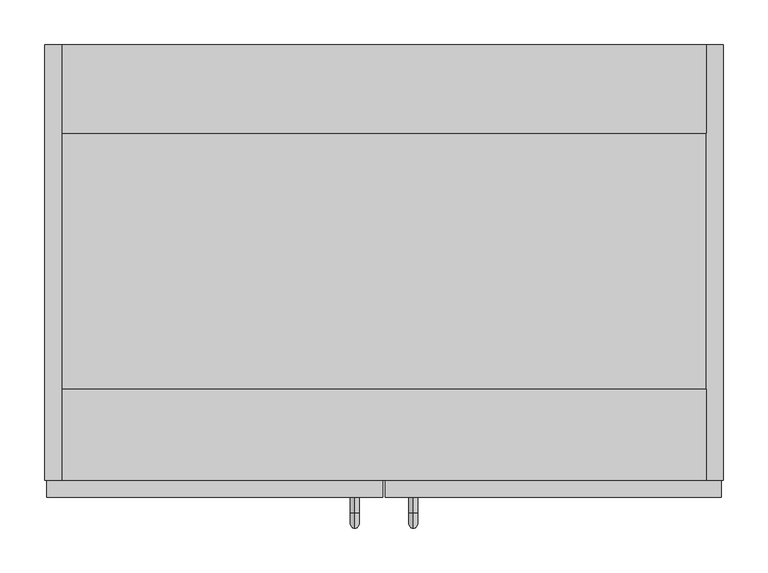
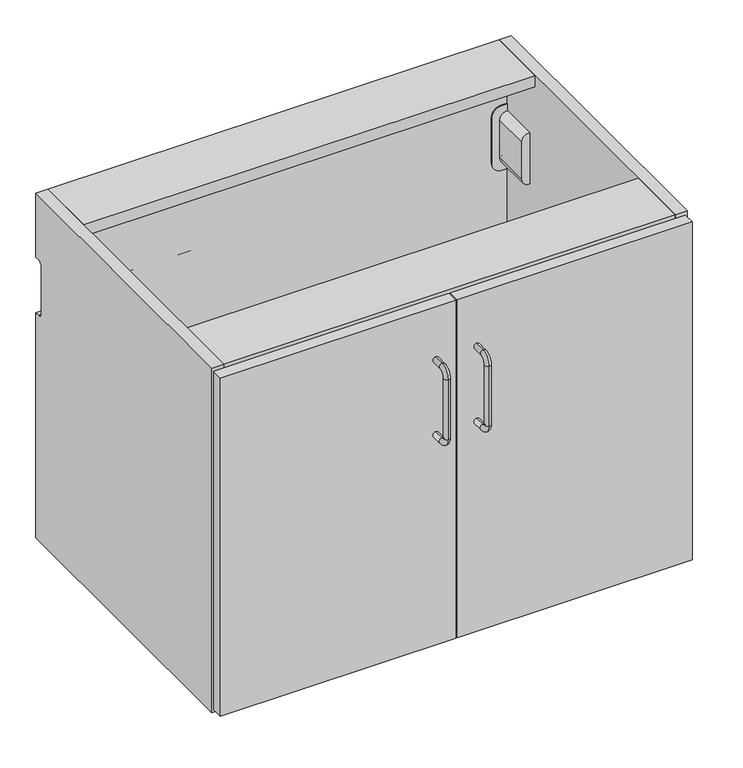
"""IFC4 building model written with IfcOpenShell, lengths in millimetres: furniture geometry."""

from ifc_helpers import new_model, si_unit, point, frame, frame_2d, origin, place, context, project, spatial, polyline, circle_curve, ellipse_curve, trimmed, segment, composite_curve, outline, extrude, source, transform, mapped, element, save
from ifc_brep_helpers import plane_surface, cylinder_surface, revolved_surface, advanced_brep


def furniture_651a36ab(model_context):
    return source(origin(), model_context, "Body", "SolidModel", [
        extrude(outline(composite_curve([segment(polyline([(-9.5501446, 563.8718269), (-3.0000493, 563.8718269), (-3.0000493, 562.3670738), (-0.7048181, 562.3670738)]), True, "CONTINUOUS"), segment(trimmed(circle_curve(frame_2d((-0.7048181, 561.6622974)), 0.7047764), [point((-0.7048181, 562.3670738))], [point((-4.17e-05, 561.6622974))], False, "CARTESIAN"), True, "CONTINUOUS"), segment(polyline([(-4.17e-05, 561.6622974), (-3.98e-05, 519.6721023), (-2.000049, 519.6721023)]), True, "CONTINUOUS"), segment(trimmed(circle_curve(frame_2d((-1.7912711, 518.4633297)), 1.2266701), [point((-2.000049, 519.6721023))], [point((-3.0000508, 518.6720665))], True, "CARTESIAN"), True, "CONTINUOUS"), segment(trimmed(circle_curve(frame_2d((1.2161345, 517.9439992)), 4.2785863), [point((-3.0000508, 518.6720665))], [point((-0.9918619, 514.2791591))], True, "CARTESIAN"), True, "CONTINUOUS"), segment(trimmed(circle_curve(frame_2d((-2.0494915, 512.5237018)), 2.0494415), [point((-0.9918619, 514.2791591))], [point((-5e-05, 512.5237018))], False, "CARTESIAN"), True, "CONTINUOUS"), segment(polyline([(-5e-05, 512.5237018), (-5e-05, 497.622237), (-3.0000486, 497.622237), (-3.0000486, 496.1220863), (-9.3214678, 496.1220863)]), True, "CONTINUOUS"), segment(trimmed(circle_curve(frame_2d((-9.3214678, 497.0506666)), 0.9285803), [point((-9.3214678, 496.1220863))], [point((-10.2500481, 497.0506666))], False, "CARTESIAN"), True, "CONTINUOUS"), segment(polyline([(-10.2500481, 497.0506666), (-10.2500481, 500.472063), (-8.2500502, 502.4720863), (-4.750053, 502.4720863)]), True, "CONTINUOUS"), segment(trimmed(circle_curve(frame_2d((-4.750053, 503.2220912)), 0.7500049), [point((-4.750053, 502.4720863))], [point((-4.0000481, 503.2220914))], True, "CARTESIAN"), True, "CONTINUOUS"), segment(polyline([(-4.0000481, 503.2220914), (-4.0000488, 505.2223543)]), True, "CONTINUOUS"), segment(trimmed(circle_curve(frame_2d((-4.7497612, 505.2223541)), 0.7497123), [point((-4.0000488, 505.2223543))], [point((-4.7497612, 505.9720665))], True, "CARTESIAN"), True, "CONTINUOUS"), segment(polyline([(-4.7497612, 505.9720665), (-8.0000496, 505.9720665), (-8.0000496, 507.9719929), (-4.7500515, 507.9719929)]), True, "CONTINUOUS"), segment(trimmed(circle_curve(frame_2d((-6.3395379, 510.2068028)), 2.7424154), [point((-4.7500515, 507.9719929))], [point((-4.0000513, 511.6377623))], True, "CARTESIAN"), True, "CONTINUOUS"), segment(trimmed(circle_curve(frame_2d((-20.3670715, 501.6267869)), 19.1859058), [point((-4.0000513, 511.6377623))], [point((-6.6449221, 515.0357986))], True, "CARTESIAN"), True, "CONTINUOUS"), segment(trimmed(circle_curve(frame_2d((7.5122438, 528.8698996)), 19.7941328), [point((-6.6449221, 515.0357986))], [point((-7.864877, 516.4058773))], False, "CARTESIAN"), True, "CONTINUOUS"), segment(polyline([(-7.864877, 516.4058773), (-11.0905827, 520.3854968)]), True, "CONTINUOUS"), segment(trimmed(circle_curve(frame_2d((-8.7599469, 522.2746084)), 3.000101), [point((-11.0905827, 520.3854968))], [point((-11.7600479, 522.2746084))], False, "CARTESIAN"), True, "CONTINUOUS"), segment(polyline([(-11.7600479, 522.2746084), (-11.7600479, 528.9187453)]), True, "CONTINUOUS"), segment(trimmed(circle_curve(frame_2d((-10.5537986, 528.9187453)), 1.2062492), [point((-11.7600479, 528.9187453))], [point((-9.3475494, 528.9187453))], False, "CARTESIAN"), True, "CONTINUOUS"), segment(polyline([(-9.3475494, 528.9187453), (-9.3475494, 526.5360729)]), True, "CONTINUOUS"), segment(trimmed(circle_curve(frame_2d((-5.6738416, 526.5606959)), 3.6737903), [point((-9.3475494, 526.5360729))], [point((-2.0000514, 526.5606959))], True, "CARTESIAN"), True, "CONTINUOUS"), segment(polyline([(-2.0000514, 526.5606959), (-2.0000514, 541.8600899)]), True, "CONTINUOUS"), segment(trimmed(circle_curve(frame_2d((-4.2278457, 541.8600899)), 2.2277943), [point((-2.0000514, 541.8600899))], [point((-2.5549945, 543.3313602))], True, "CARTESIAN"), True, "CONTINUOUS"), segment(trimmed(circle_curve(frame_2d((-4.2278451, 541.8600889)), 2.2277945), [point((-2.5549945, 543.3313602))], [point((-3.2940588, 543.8827386))], True, "CARTESIAN"), True, "CONTINUOUS"), segment(trimmed(circle_curve(frame_2d((-2.7842404, 544.9870426)), 1.2163068), [point((-3.2940588, 543.8827386))], [point((-4.0000431, 545.0220565))], False, "CARTESIAN"), True, "CONTINUOUS"), segment(polyline([(-4.0000431, 545.0220565), (-4.0000428, 556.5223724)]), True, "CONTINUOUS"), segment(trimmed(circle_curve(frame_2d((-4.9997396, 556.5223723)), 0.9996968), [point((-4.0000428, 556.5223724))], [point((-4.9997396, 557.5220692))], True, "CARTESIAN"), True, "CONTINUOUS"), segment(polyline([(-4.9997396, 557.5220692), (-8.2500476, 557.5220692), (-10.2500485, 559.5220924), (-10.2500489, 563.1220665), (-9.5501446, 563.8718269)]), True, "CONTINUOUS")], self_intersect=False)), frame((19.304, 0.0, 0.0), z_axis=(1.0, 0.0, 0.0), x_axis=(0.0, 1.0, 0.0)), (0.0, 0.0, 1.0), 723.392),
        advanced_brep(
        [(739.3672031, -15.7352068, 548.8057051), (739.3672031, -8.4982509, 548.8057051), (733.6499136, -8.4982509, 548.8057051), (733.6499136, -23.4902086, 548.8057051), (742.3428423, -23.4902086, 548.8057051), (742.3428423, -21.5752277, 548.8057051), (739.360055, -8.2962203, 534.8056876), (733.6570616, -8.2962203, 534.8056876), (733.6499136, -23.4902086, 534.8056876), (733.6499136, -15.5720146, 534.8056876), (739.3672031, -15.5720146, 534.8056876), (739.3672031, -15.7352068, 534.8056876), (742.3428423, -21.5752277, 534.8056876), (742.3428423, -23.4902086, 534.8056876), (733.6499136, -8.4982509, 535.952329), (733.6499136, -9.5295752, 541.8056964), (733.6499136, -14.3245254, 541.8056964), (739.3672031, -8.4982509, 535.952329), (739.3672031, -14.3245254, 541.8056964), (739.3672031, -9.5295752, 541.8056964)],
        [
            (0, 1),
            (1, 2, circle_curve(frame((736.5085583, -8.4982509, 548.8057051), z_axis=(0.0, 0.0, 1.0), x_axis=(-1.0, 0.0, 0.0)), 2.8586447)),
            (2, 3),
            (3, 4),
            (4, 5),
            (5, 0),
            (6, 7),
            (7, 6, circle_curve(frame((736.5085583, -8.4982509, 534.8056876), z_axis=(0.0, 0.0, -1.0), x_axis=(-1.0, 0.0, 0.0)), 2.8586447)),
            (8, 9),
            (9, 10),
            (10, 11),
            (11, 12),
            (12, 13),
            (13, 8),
            (5, 12),
            (11, 0),
            (2, 14),
            (14, 15),
            (15, 16),
            (16, 9),
            (8, 3),
            (1, 17),
            (17, 6, ellipse_curve(frame((736.5085583, -8.4982509, 535.952329), z_axis=(0.0, 0.9848302513804711, 0.17352053470952136), x_axis=(0.0, -0.17352053470952136, 0.984830251380471)), 16.4743886, 2.8586447)),
            (7, 14, ellipse_curve(frame((736.5085583, -8.4982509, 535.952329), z_axis=(0.0, 0.9848302513804711, 0.17352053470952136), x_axis=(0.0, -0.17352053470952136, 0.984830251380471)), 16.4743886, 2.8586447)),
            (10, 18),
            (18, 19),
            (19, 17),
            (4, 13),
            (18, 16),
            (15, 19),
        ],
        [
            plane_surface(frame((742.2500427, -21.3930983, 548.8057051), z_axis=(0.0, 0.0, 1.0), x_axis=(0.45399049973954764, -0.8910065241883675, 0.0))),
            plane_surface(frame((742.2500427, -21.3930983, 534.8056876), z_axis=(0.0, 0.0, -1.0), x_axis=(-0.45399049973954764, 0.8910065241883675, 0.0))),
            plane_surface(frame((739.3672031, -15.7352068, 548.8057051), z_axis=(0.8910065241883675, 0.45399049973954764, 0.0), x_axis=(0.0, 0.0, -1.0))),
            plane_surface(frame((733.6499136, -23.4902086, 548.8057051), z_axis=(-1.0, 0.0, 0.0), x_axis=(0.0, 0.0, -1.0))),
            cylinder_surface(frame((736.5085583, -8.4982509, 534.8056876), z_axis=(0.0, 0.0, 1.0), x_axis=(-1.0, 0.0, 0.0)), 2.8586447),
            plane_surface(frame((739.3672031, -8.4982509, 548.8057051), z_axis=(1.0, 0.0, 0.0), x_axis=(0.0, 0.0, -1.0))),
            plane_surface(frame((742.3428423, -21.5752277, 548.8057051), z_axis=(1.0, 0.0, 0.0), x_axis=(0.0, 0.0, -1.0))),
            plane_surface(frame((742.3428423, -23.4902086, 548.8057051), z_axis=(0.0, -1.0, 0.0), x_axis=(0.0, 0.0, -1.0))),
            plane_surface(frame((680.5727603, -9.5295752, 541.8056964), z_axis=(0.0, 0.0, -1.0), x_axis=(1.0, 0.0, 0.0))),
            plane_surface(frame((680.5727603, -14.3245254, 541.8056964), z_axis=(0.0, 0.9844886613913678, -0.1754482134187542), x_axis=(1.0, 0.0, 0.0))),
            plane_surface(frame((680.5727603, -8.2962203, 534.8056876), z_axis=(0.0, -0.9848302513804711, -0.17352053470952136), x_axis=(1.0, 0.0, 0.0))),
        ],
        [
            (0, [[1, 2, 3, 4, 5, 6]]),
            (1, [[7, 8]]),
            (1, [[9, 10, 11, 12, 13, 14]]),
            (2, [[15, -12, 16, -6]]),
            (3, [[17, 18, 19, 20, -9, 21, -3]]),
            (4, [[22, 23, -8, 24, -17, -2]]),
            (5, [[-16, -11, 25, 26, 27, -22, -1]]),
            (6, [[28, -13, -15, -5]]),
            (7, [[-21, -14, -28, -4]]),
            (8, [[-26, 29, -19, 30]]),
            (9, [[-25, -10, -20, -29]]),
            (10, [[-18, -24, -7, -23, -27, -30]]),
        ],
    ),
        extrude(outline(composite_curve([segment(trimmed(circle_curve(frame_2d((564.6056128, 739.1999564)), 1.499963), [point((564.6056128, 740.6999193))], [point((563.1056499, 739.1999564))], True, "CARTESIAN"), True, "CONTINUOUS"), segment(trimmed(circle_curve(frame_2d((560.6250734, 739.1999564)), 2.4805765), [point((563.1056499, 739.1999564))], [point((561.5543137, 736.9000059))], False, "CARTESIAN"), True, "CONTINUOUS"), segment(polyline([(561.5543137, 736.9000059), (529.1687426, 736.9000059)]), True, "CONTINUOUS"), segment(trimmed(circle_curve(frame_2d((529.1687426, 738.5153186)), 1.6153127), [point((529.1687426, 736.9000059))], [point((527.7057212, 739.2000109))], False, "CARTESIAN"), True, "CONTINUOUS"), segment(trimmed(circle_curve(frame_2d((526.2057038, 739.1999019)), 1.5000175), [point((527.7057212, 739.2000109))], [point((526.2057038, 740.6999193))], True, "CARTESIAN"), True, "CONTINUOUS"), segment(polyline([(526.2057038, 740.6999193), (497.8056568, 740.6999193), (497.8056568, 742.8000818), (528.305721, 742.8000818)]), True, "CONTINUOUS"), segment(trimmed(circle_curve(frame_2d((528.305721, 741.1609414)), 1.6391404), [point((528.305721, 742.8000818))], [point((529.8057021, 740.5000042))], False, "CARTESIAN"), True, "CONTINUOUS"), segment(trimmed(circle_curve(frame_2d((530.8469272, 740.0412088)), 1.1378237), [point((529.8057021, 740.5000042))], [point((531.3056469, 738.9999504))], True, "CARTESIAN"), True, "CONTINUOUS"), segment(polyline([(531.3056469, 738.9999504), (559.5056697, 738.9999504)]), True, "CONTINUOUS"), segment(trimmed(circle_curve(frame_2d((559.5056697, 740.3471498)), 1.3471994), [point((559.5056697, 738.9999504))], [point((560.805862, 740.6999193))], True, "CARTESIAN"), True, "CONTINUOUS"), segment(trimmed(circle_curve(frame_2d((562.4140599, 741.1362572)), 1.6663407), [point((560.805862, 740.6999193))], [point((562.5055956, 742.8000818))], False, "CARTESIAN"), True, "CONTINUOUS"), segment(polyline([(562.5055956, 742.8000818), (578.005667, 742.8000818), (578.005667, 740.6999193), (564.6056128, 740.6999193)]), True, "CONTINUOUS")], self_intersect=False)), frame((0.0, -23.4902086, 0.0), z_axis=(0.0, 1.0, 0.0), x_axis=(0.0, 0.0, 1.0)), (0.0, 0.0, 1.0), 3.1878868),
        extrude(outline(composite_curve([segment(polyline([(581.0534824, 742.8000818), (592.2534165, 742.8000818), (592.2534165, 733.0997675)]), True, "CONTINUOUS"), segment(trimmed(circle_curve(frame_2d((577.2537123, 733.0997675)), 14.9997042), [point((592.2534165, 733.0997675))], [point((577.2537123, 718.1000633))], False, "CARTESIAN"), True, "CONTINUOUS"), segment(polyline([(577.2537123, 718.1000633), (498.5495067, 718.1000633)]), True, "CONTINUOUS"), segment(trimmed(circle_curve(frame_2d((498.5495067, 733.1000198)), 14.9999565), [point((498.5495067, 718.1000633))], [point((483.5495502, 733.1000198))], False, "CARTESIAN"), True, "CONTINUOUS"), segment(polyline([(483.5495502, 733.1000198), (483.5495502, 742.8000818), (494.3855385, 742.8000818)]), True, "CONTINUOUS"), segment(trimmed(circle_curve(frame_2d((506.2494364, 741.7856737)), 11.9071868), [point((494.3855385, 742.8000818))], [point((506.2494364, 729.8784868))], True, "CARTESIAN"), True, "CONTINUOUS"), segment(polyline([(506.2494364, 729.8784868), (569.5535666, 729.8784868)]), True, "CONTINUOUS"), segment(trimmed(circle_curve(frame_2d((569.5535666, 741.4566117)), 11.5781249), [point((569.5535666, 729.8784868))], [point((581.0534824, 742.8000818))], True, "CARTESIAN"), True, "CONTINUOUS")], self_intersect=False)), frame((0.0, -23.4902086, 0.0), z_axis=(0.0, 1.0, 0.0), x_axis=(0.0, 0.0, 1.0)), (0.0, 0.0, 1.0), 2.0971104),
        extrude(outline(composite_curve([segment(polyline([(494.3855385, 742.8000818), (581.0534824, 742.8000818)]), True, "CONTINUOUS"), segment(trimmed(circle_curve(frame_2d((569.5535666, 741.4566117)), 11.5781249), [point((581.0534824, 742.8000818))], [point((569.5535666, 729.8784868))], False, "CARTESIAN"), True, "CONTINUOUS"), segment(polyline([(569.5535666, 729.8784868), (506.2494364, 729.8784868)]), True, "CONTINUOUS"), segment(trimmed(circle_curve(frame_2d((506.2494364, 741.7856737)), 11.9071868), [point((506.2494364, 729.8784868))], [point((494.3855385, 742.8000818))], False, "CARTESIAN"), True, "CONTINUOUS")], self_intersect=False)), frame((0.0, -85.5646173, 0.0), z_axis=(0.0, 1.0, 0.0), x_axis=(0.0, 0.0, 1.0)), (0.0, 0.0, 1.0), 62.0744087),
        advanced_brep(
        [(22.6327969, -15.7352068, 548.8057051), (19.6571577, -21.5752277, 548.8057051), (19.6571577, -23.4902086, 548.8057051), (28.3500864, -23.4902086, 548.8057051), (28.3500864, -8.4982509, 548.8057051), (22.6327969, -8.4982509, 548.8057051), (28.3500864, -23.4902086, 534.8056876), (19.6571577, -23.4902086, 534.8056876), (19.6571577, -21.5752277, 534.8056876), (22.6327969, -15.7352068, 534.8056876), (22.6327969, -15.5720146, 534.8056876), (28.3500864, -15.5720146, 534.8056876), (22.639945, -8.2962203, 534.8056876), (28.3429384, -8.2962203, 534.8056876), (28.3500864, -14.3245254, 541.8056964), (28.3500864, -9.5295752, 541.8056964), (28.3500864, -8.4982509, 535.952329), (22.6327969, -8.4982509, 535.952329), (22.6327969, -9.5295752, 541.8056964), (22.6327969, -14.3245254, 541.8056964)],
        [
            (0, 1),
            (1, 2),
            (2, 3),
            (3, 4),
            (4, 5, circle_curve(frame((25.4914417, -8.4982509, 548.8057051), z_axis=(0.0, 0.0, 1.0), x_axis=(1.0, 0.0, 0.0)), 2.8586447)),
            (5, 0),
            (6, 7),
            (7, 8),
            (8, 9),
            (9, 10),
            (10, 11),
            (11, 6),
            (12, 13, circle_curve(frame((25.4914417, -8.4982509, 534.8056876), z_axis=(0.0, 0.0, -1.0), x_axis=(1.0, 0.0, 0.0)), 2.8586447)),
            (13, 12),
            (0, 9),
            (8, 1),
            (3, 6),
            (11, 14),
            (14, 15),
            (15, 16),
            (16, 4),
            (16, 13, ellipse_curve(frame((25.4914417, -8.4982509, 535.952329), z_axis=(0.0, 0.9848302513804711, 0.17352053470952136), x_axis=(0.0, -0.17352053470952136, 0.984830251380471)), 16.4743886, 2.8586447)),
            (12, 17, ellipse_curve(frame((25.4914417, -8.4982509, 535.952329), z_axis=(0.0, 0.9848302513804711, 0.17352053470952136), x_axis=(0.0, -0.17352053470952136, 0.984830251380471)), 16.4743886, 2.8586447)),
            (17, 5),
            (17, 18),
            (18, 19),
            (19, 10),
            (7, 2),
            (18, 15),
            (14, 19),
        ],
        [
            plane_surface(frame((19.7499573, -21.3930983, 548.8057051), z_axis=(0.0, 0.0, 1.0), x_axis=(-0.45399049973954764, -0.8910065241883675, 0.0))),
            plane_surface(frame((19.7499573, -21.3930983, 534.8056876), z_axis=(0.0, 0.0, -1.0), x_axis=(0.45399049973954764, 0.8910065241883675, 0.0))),
            plane_surface(frame((22.6327969, -15.7352068, 548.8057051), z_axis=(-0.8910065241883675, 0.45399049973954764, 0.0), x_axis=(0.0, 0.0, -1.0))),
            plane_surface(frame((28.3500864, -23.4902086, 548.8057051), z_axis=(1.0, 0.0, 0.0), x_axis=(0.0, 0.0, -1.0))),
            cylinder_surface(frame((25.4914417, -8.4982509, 534.8056876), z_axis=(0.0, 0.0, 1.0), x_axis=(1.0, 0.0, 0.0)), 2.8586447),
            plane_surface(frame((22.6327969, -8.4982509, 548.8057051), z_axis=(-1.0, 0.0, 0.0), x_axis=(0.0, 0.0, -1.0))),
            plane_surface(frame((19.6571577, -21.5752277, 548.8057051), z_axis=(-1.0, 0.0, 0.0), x_axis=(0.0, 0.0, -1.0))),
            plane_surface(frame((19.6571577, -23.4902086, 548.8057051), z_axis=(0.0, -1.0, 0.0), x_axis=(0.0, 0.0, -1.0))),
            plane_surface(frame((81.4272397, -9.5295752, 541.8056964), z_axis=(0.0, 0.0, -1.0), x_axis=(-1.0, 0.0, 0.0))),
            plane_surface(frame((81.4272397, -14.3245254, 541.8056964), z_axis=(0.0, 0.9844886613913678, -0.1754482134187542), x_axis=(-1.0, 0.0, 0.0))),
            plane_surface(frame((81.4272397, -8.2962203, 534.8056876), z_axis=(0.0, -0.9848302513804711, -0.17352053470952136), x_axis=(-1.0, 0.0, 0.0))),
        ],
        [
            (0, [[1, 2, 3, 4, 5, 6]]),
            (1, [[7, 8, 9, 10, 11, 12]]),
            (1, [[13, 14]]),
            (2, [[-1, 15, -9, 16]]),
            (3, [[-4, 17, -12, 18, 19, 20, 21]]),
            (4, [[-5, -21, 22, -13, 23, 24]]),
            (5, [[-6, -24, 25, 26, 27, -10, -15]]),
            (6, [[-2, -16, -8, 28]]),
            (7, [[-3, -28, -7, -17]]),
            (8, [[29, -19, 30, -26]]),
            (9, [[-30, -18, -11, -27]]),
            (10, [[-29, -25, -23, -14, -22, -20]]),
        ],
    ),
        extrude(outline(composite_curve([segment(polyline([(564.6056128, 21.3000807), (578.005667, 21.3000807), (578.005667, 19.1999182), (562.5055956, 19.1999182)]), True, "CONTINUOUS"), segment(trimmed(circle_curve(frame_2d((562.4140599, 20.8637428)), 1.6663407), [point((562.5055956, 19.1999182))], [point((560.805862, 21.3000807))], False, "CARTESIAN"), True, "CONTINUOUS"), segment(trimmed(circle_curve(frame_2d((559.5056697, 21.6528502)), 1.3471994), [point((560.805862, 21.3000807))], [point((559.5056697, 23.0000496))], True, "CARTESIAN"), True, "CONTINUOUS"), segment(polyline([(559.5056697, 23.0000496), (531.3056469, 23.0000496)]), True, "CONTINUOUS"), segment(trimmed(circle_curve(frame_2d((530.8469272, 21.9587912)), 1.1378237), [point((531.3056469, 23.0000496))], [point((529.8057021, 21.4999958))], True, "CARTESIAN"), True, "CONTINUOUS"), segment(trimmed(circle_curve(frame_2d((528.305721, 20.8390586)), 1.6391404), [point((529.8057021, 21.4999958))], [point((528.305721, 19.1999182))], False, "CARTESIAN"), True, "CONTINUOUS"), segment(polyline([(528.305721, 19.1999182), (497.8056568, 19.1999182), (497.8056568, 21.3000807), (526.2057038, 21.3000807)]), True, "CONTINUOUS"), segment(trimmed(circle_curve(frame_2d((526.2057038, 22.8000981)), 1.5000175), [point((526.2057038, 21.3000807))], [point((527.7057212, 22.7999891))], True, "CARTESIAN"), True, "CONTINUOUS"), segment(trimmed(circle_curve(frame_2d((529.1687426, 23.4846814)), 1.6153127), [point((527.7057212, 22.7999891))], [point((529.1687426, 25.0999941))], False, "CARTESIAN"), True, "CONTINUOUS"), segment(polyline([(529.1687426, 25.0999941), (561.5543137, 25.0999941)]), True, "CONTINUOUS"), segment(trimmed(circle_curve(frame_2d((560.6250734, 22.8000436)), 2.4805765), [point((561.5543137, 25.0999941))], [point((563.1056499, 22.8000436))], False, "CARTESIAN"), True, "CONTINUOUS"), segment(trimmed(circle_curve(frame_2d((564.6056128, 22.8000436)), 1.499963), [point((563.1056499, 22.8000436))], [point((564.6056128, 21.3000807))], True, "CARTESIAN"), True, "CONTINUOUS")], self_intersect=False)), frame((0.0, -23.4902086, 0.0), z_axis=(0.0, 1.0, 0.0), x_axis=(0.0, 0.0, 1.0)), (0.0, 0.0, 1.0), 3.1878868),
        extrude(outline(composite_curve([segment(trimmed(circle_curve(frame_2d((569.5535666, 20.5433883)), 11.5781249), [point((581.0534824, 19.1999182))], [point((569.5535666, 32.1215132))], True, "CARTESIAN"), True, "CONTINUOUS"), segment(polyline([(569.5535666, 32.1215132), (506.2494364, 32.1215132)]), True, "CONTINUOUS"), segment(trimmed(circle_curve(frame_2d((506.2494364, 20.2143263)), 11.9071868), [point((506.2494364, 32.1215132))], [point((494.3855385, 19.1999182))], True, "CARTESIAN"), True, "CONTINUOUS"), segment(polyline([(494.3855385, 19.1999182), (483.5495502, 19.1999182), (483.5495502, 28.8999802)]), True, "CONTINUOUS"), segment(trimmed(circle_curve(frame_2d((498.5495067, 28.8999802)), 14.9999565), [point((483.5495502, 28.8999802))], [point((498.5495067, 43.8999367))], False, "CARTESIAN"), True, "CONTINUOUS"), segment(polyline([(498.5495067, 43.8999367), (577.2537123, 43.8999367)]), True, "CONTINUOUS"), segment(trimmed(circle_curve(frame_2d((577.2537123, 28.9002325)), 14.9997042), [point((577.2537123, 43.8999367))], [point((592.2534165, 28.9002325))], False, "CARTESIAN"), True, "CONTINUOUS"), segment(polyline([(592.2534165, 28.9002325), (592.2534165, 19.1999182), (581.0534824, 19.1999182)]), True, "CONTINUOUS")], self_intersect=False)), frame((0.0, -23.4902086, 0.0), z_axis=(0.0, 1.0, 0.0), x_axis=(0.0, 0.0, 1.0)), (0.0, 0.0, 1.0), 2.0971104),
        extrude(outline(composite_curve([segment(trimmed(circle_curve(frame_2d((506.2494364, 20.2143263)), 11.9071868), [point((494.3855385, 19.1999182))], [point((506.2494364, 32.1215132))], False, "CARTESIAN"), True, "CONTINUOUS"), segment(polyline([(506.2494364, 32.1215132), (569.5535666, 32.1215132)]), True, "CONTINUOUS"), segment(trimmed(circle_curve(frame_2d((569.5535666, 20.5433883)), 11.5781249), [point((569.5535666, 32.1215132))], [point((581.0534824, 19.1999182))], False, "CARTESIAN"), True, "CONTINUOUS"), segment(polyline([(581.0534824, 19.1999182), (494.3855385, 19.1999182)]), True, "CONTINUOUS")], self_intersect=False)), frame((0.0, -85.5646173, 0.0), z_axis=(0.0, 1.0, 0.0), x_axis=(0.0, 0.0, 1.0)), (0.0, 0.0, 1.0), 62.0744087),
        extrude(outline(polyline([(759.4998619, -488.8000092), (19.1999182, -488.8000092), (19.1999182, -21.29979), (759.4998619, -21.29979), (759.4998619, -488.8000092)])), frame((0.0, 0.0, 102.3999724), z_axis=(0.0, 0.0, 1.0), x_axis=(1.0, 0.0, 0.0)), (0.0, 0.0, 1.0), 13.4000087),
        advanced_brep(
        [(348.1441072, -508.0, 586.0154803), (348.1441072, -508.0, 595.6684644), (348.1441072, -525.4719955, 595.6684644), (348.1441072, -525.4719955, 586.0154803), (348.1441072, -533.3455035, 578.1419724), (348.1441072, -542.9984876, 578.1419724), (348.1441072, -542.9984876, 476.5419724), (348.1441072, -533.3455035, 476.5419724), (348.1441072, -525.4719955, 468.6684644), (348.1441072, -525.4719955, 459.0154803), (348.1441072, -508.0, 468.6684644), (348.1441072, -508.0, 459.0154803)],
        [
            (0, 1, circle_curve(frame((348.1441072, -508.0, 590.8419724), z_axis=(0.0, 1.0, 0.0), x_axis=(0.0, 0.0, 1.0)), 4.8264921)),
            (1, 0, circle_curve(frame((348.1441072, -508.0, 590.8419724), z_axis=(0.0, 1.0, 0.0), x_axis=(0.0, 0.0, 1.0)), 4.8264921)),
            (1, 2),
            (2, 3, circle_curve(frame((348.1441072, -525.4719955, 590.8419724), z_axis=(0.0, 1.0, 0.0), x_axis=(0.0, 0.0, 1.0)), 4.8264921)),
            (3, 0),
            (3, 2, circle_curve(frame((348.1441072, -525.4719955, 590.8419724), z_axis=(0.0, 1.0, 0.0), x_axis=(0.0, 0.0, 1.0)), 4.8264921)),
            (4, 3, circle_curve(frame((348.1441072, -525.4719955, 578.1419724), z_axis=(-1.0, 0.0, 0.0), x_axis=(0.0, 0.0, 1.0)), 7.8735079)),
            (2, 5, circle_curve(frame((348.1441072, -525.4719955, 578.1419724), z_axis=(1.0, 0.0, 0.0), x_axis=(0.0, 0.0, 1.0)), 17.5264921)),
            (5, 4, circle_curve(frame((348.1441072, -538.1719955, 578.1419724), z_axis=(0.0, 0.0, 1.0), x_axis=(0.0, -1.0, 0.0)), 4.8264921)),
            (4, 5, circle_curve(frame((348.1441072, -538.1719955, 578.1419724), z_axis=(0.0, 0.0, 1.0), x_axis=(0.0, -1.0, 0.0)), 4.8264921)),
            (5, 6),
            (6, 7, circle_curve(frame((348.1441072, -538.1719955, 476.5419724), z_axis=(0.0, 0.0, 1.0), x_axis=(0.0, -1.0, 0.0)), 4.8264921)),
            (7, 4),
            (7, 6, circle_curve(frame((348.1441072, -538.1719955, 476.5419724), z_axis=(0.0, 0.0, 1.0), x_axis=(0.0, -1.0, 0.0)), 4.8264921)),
            (8, 7, circle_curve(frame((348.1441072, -525.4719955, 476.5419724), z_axis=(-1.0, 0.0, 0.0), x_axis=(0.0, -1.0, 0.0)), 7.8735079)),
            (6, 9, circle_curve(frame((348.1441072, -525.4719955, 476.5419724), z_axis=(1.0, 0.0, 0.0), x_axis=(0.0, -1.0, 0.0)), 17.5264921)),
            (9, 8, circle_curve(frame((348.1441072, -525.4719955, 463.8419724), z_axis=(0.0, -1.0, 0.0), x_axis=(0.0, 0.0, -1.0)), 4.8264921)),
            (8, 9, circle_curve(frame((348.1441072, -525.4719955, 463.8419724), z_axis=(0.0, -1.0, 0.0), x_axis=(0.0, 0.0, -1.0)), 4.8264921)),
            (10, 11, circle_curve(frame((348.1441072, -508.0, 463.8419724), z_axis=(0.0, 1.0, 0.0), x_axis=(0.0, 0.0, -1.0)), 4.8264921)),
            (11, 10, circle_curve(frame((348.1441072, -508.0, 463.8419724), z_axis=(0.0, 1.0, 0.0), x_axis=(0.0, 0.0, -1.0)), 4.8264921)),
            (9, 11),
            (10, 8),
        ],
        [
            plane_surface(frame((348.234, -508.0, 590.8419724), z_axis=(0.0, 1.0, 0.0), x_axis=(-1.0, 0.0, 0.0))),
            cylinder_surface(frame((348.1441072, -508.0, 590.8419724), z_axis=(0.0, 1.0, 0.0), x_axis=(0.0, 0.0, 1.0)), 4.8264921),
            revolved_surface(trimmed(ellipse_curve(frame((348.1441072, -525.4719955, 590.8419724), z_axis=(0.0, 1.0, 0.0), x_axis=(0.0, 0.0, 1.0)), 4.8264921, 4.8264921), [point((348.1441072, -525.4719955, 595.6684644))], [point((348.1441072, -525.4719955, 586.0154803))], True, "CARTESIAN"), (348.234, -525.4719955, 578.1419724), (1.0, 0.0, 0.0)),
            revolved_surface(trimmed(ellipse_curve(frame((348.1441072, -525.4719955, 590.8419724), z_axis=(0.0, 1.0, 0.0), x_axis=(0.0, 0.0, 1.0)), 4.8264921, 4.8264921), [point((348.1441072, -525.4719955, 586.0154803))], [point((348.1441072, -525.4719955, 595.6684644))], True, "CARTESIAN"), (348.234, -525.4719955, 578.1419724), (1.0, 0.0, 0.0)),
            cylinder_surface(frame((348.1441072, -538.1719955, 578.1419724), z_axis=(0.0, 0.0, 1.0), x_axis=(0.0, -1.0, 0.0)), 4.8264921),
            revolved_surface(trimmed(ellipse_curve(frame((348.1441072, -538.1719955, 476.5419724), z_axis=(0.0, 0.0, 1.0), x_axis=(0.0, -1.0, 0.0)), 4.8264921, 4.8264921), [point((348.1441072, -542.9984876, 476.5419724))], [point((348.1441072, -533.3455035, 476.5419724))], True, "CARTESIAN"), (348.234, -525.4719955, 476.5419724), (1.0, 0.0, 0.0)),
            revolved_surface(trimmed(ellipse_curve(frame((348.1441072, -538.1719955, 476.5419724), z_axis=(0.0, 0.0, 1.0), x_axis=(0.0, -1.0, 0.0)), 4.8264921, 4.8264921), [point((348.1441072, -533.3455035, 476.5419724))], [point((348.1441072, -542.9984876, 476.5419724))], True, "CARTESIAN"), (348.234, -525.4719955, 476.5419724), (1.0, 0.0, 0.0)),
            plane_surface(frame((348.234, -508.0, 463.8419724), z_axis=(0.0, 1.0, 0.0), x_axis=(-1.0, 0.0, 0.0))),
            cylinder_surface(frame((348.1441072, -525.4719955, 463.8419724), z_axis=(0.0, -1.0, 0.0), x_axis=(0.0, 0.0, -1.0)), 4.8264921),
        ],
        [
            (0, [[1, 2]]),
            (1, [[-2, 3, 4, 5]]),
            (1, [[-1, -5, 6, -3]]),
            (2, [[7, -4, 8, 9]]),
            (3, [[-8, -6, -7, 10]]),
            (4, [[-9, 11, 12, 13]]),
            (4, [[-10, -13, 14, -11]]),
            (5, [[15, -12, 16, 17]]),
            (6, [[-16, -14, -15, 18]]),
            (7, [[19, 20]]),
            (8, [[-17, 21, -19, 22]]),
            (8, [[-18, -22, -20, -21]]),
        ],
    ),
        advanced_brep(
        [(413.8558928, -508.0, 595.6684644), (413.8558928, -508.0, 586.0154803), (413.8558928, -525.4719955, 595.6684644), (413.8558928, -525.4719955, 586.0154803), (413.8558928, -533.3455035, 578.1419724), (413.8558928, -542.9984876, 578.1419724), (413.8558928, -542.9984876, 476.5419724), (413.8558928, -533.3455035, 476.5419724), (413.8558928, -525.4719955, 468.6684644), (413.8558928, -525.4719955, 459.0154803), (413.8558928, -508.0, 459.0154803), (413.8558928, -508.0, 468.6684644)],
        [
            (0, 1, circle_curve(frame((413.8558928, -508.0, 590.8419724), z_axis=(0.0, 1.0, 0.0), x_axis=(0.0, 0.0, -1.0)), 4.8264921)),
            (1, 0, circle_curve(frame((413.8558928, -508.0, 590.8419724), z_axis=(0.0, 1.0, 0.0), x_axis=(0.0, 0.0, -1.0)), 4.8264921)),
            (0, 2),
            (2, 3, circle_curve(frame((413.8558928, -525.4719955, 590.8419724), z_axis=(0.0, 1.0, 0.0), x_axis=(0.0, 0.0, -1.0)), 4.8264921)),
            (3, 1),
            (3, 2, circle_curve(frame((413.8558928, -525.4719955, 590.8419724), z_axis=(0.0, 1.0, 0.0), x_axis=(0.0, 0.0, -1.0)), 4.8264921)),
            (4, 3, circle_curve(frame((413.8558928, -525.4719955, 578.1419724), z_axis=(-1.0, 0.0, 0.0), x_axis=(0.0, 0.0, 1.0)), 7.8735079)),
            (2, 5, circle_curve(frame((413.8558928, -525.4719955, 578.1419724), z_axis=(1.0, 0.0, 0.0), x_axis=(0.0, 0.0, 1.0)), 17.5264921)),
            (5, 4, circle_curve(frame((413.8558928, -538.1719955, 578.1419724), z_axis=(0.0, 0.0, 1.0), x_axis=(0.0, 1.0, 0.0)), 4.8264921)),
            (4, 5, circle_curve(frame((413.8558928, -538.1719955, 578.1419724), z_axis=(0.0, 0.0, 1.0), x_axis=(0.0, 1.0, 0.0)), 4.8264921)),
            (5, 6),
            (6, 7, circle_curve(frame((413.8558928, -538.1719955, 476.5419724), z_axis=(0.0, 0.0, 1.0), x_axis=(0.0, 1.0, 0.0)), 4.8264921)),
            (7, 4),
            (7, 6, circle_curve(frame((413.8558928, -538.1719955, 476.5419724), z_axis=(0.0, 0.0, 1.0), x_axis=(0.0, 1.0, 0.0)), 4.8264921)),
            (8, 7, circle_curve(frame((413.8558928, -525.4719955, 476.5419724), z_axis=(-1.0, 0.0, 0.0), x_axis=(0.0, -1.0, 0.0)), 7.8735079)),
            (6, 9, circle_curve(frame((413.8558928, -525.4719955, 476.5419724), z_axis=(1.0, 0.0, 0.0), x_axis=(0.0, -1.0, 0.0)), 17.5264921)),
            (9, 8, circle_curve(frame((413.8558928, -525.4719955, 463.8419724), z_axis=(0.0, -1.0, 0.0), x_axis=(0.0, 0.0, 1.0)), 4.8264921)),
            (8, 9, circle_curve(frame((413.8558928, -525.4719955, 463.8419724), z_axis=(0.0, -1.0, 0.0), x_axis=(0.0, 0.0, 1.0)), 4.8264921)),
            (10, 11, circle_curve(frame((413.8558928, -508.0, 463.8419724), z_axis=(0.0, 1.0, 0.0), x_axis=(0.0, 0.0, 1.0)), 4.8264921)),
            (11, 10, circle_curve(frame((413.8558928, -508.0, 463.8419724), z_axis=(0.0, 1.0, 0.0), x_axis=(0.0, 0.0, 1.0)), 4.8264921)),
            (9, 10),
            (11, 8),
        ],
        [
            plane_surface(frame((413.766, -508.0, 590.8419724), z_axis=(0.0, 1.0, 0.0), x_axis=(1.0, 0.0, 0.0))),
            cylinder_surface(frame((413.8558928, -508.0, 590.8419724), z_axis=(0.0, 1.0, 0.0), x_axis=(0.0, 0.0, -1.0)), 4.8264921),
            revolved_surface(trimmed(ellipse_curve(frame((413.8558928, -525.4719955, 590.8419724), z_axis=(0.0, 1.0, 0.0), x_axis=(0.0, 0.0, -1.0)), 4.8264921, 4.8264921), [point((413.8558928, -525.4719955, 595.6684644))], [point((413.8558928, -525.4719955, 586.0154803))], True, "CARTESIAN"), (413.766, -525.4719955, 578.1419724), (1.0, 0.0, 0.0)),
            revolved_surface(trimmed(ellipse_curve(frame((413.8558928, -525.4719955, 590.8419724), z_axis=(0.0, 1.0, 0.0), x_axis=(0.0, 0.0, -1.0)), 4.8264921, 4.8264921), [point((413.8558928, -525.4719955, 586.0154803))], [point((413.8558928, -525.4719955, 595.6684644))], True, "CARTESIAN"), (413.766, -525.4719955, 578.1419724), (1.0, 0.0, 0.0)),
            cylinder_surface(frame((413.8558928, -538.1719955, 578.1419724), z_axis=(0.0, 0.0, 1.0), x_axis=(0.0, 1.0, 0.0)), 4.8264921),
            revolved_surface(trimmed(ellipse_curve(frame((413.8558928, -538.1719955, 476.5419724), z_axis=(0.0, 0.0, 1.0), x_axis=(0.0, 1.0, 0.0)), 4.8264921, 4.8264921), [point((413.8558928, -542.9984876, 476.5419724))], [point((413.8558928, -533.3455035, 476.5419724))], True, "CARTESIAN"), (413.766, -525.4719955, 476.5419724), (1.0, 0.0, 0.0)),
            revolved_surface(trimmed(ellipse_curve(frame((413.8558928, -538.1719955, 476.5419724), z_axis=(0.0, 0.0, 1.0), x_axis=(0.0, 1.0, 0.0)), 4.8264921, 4.8264921), [point((413.8558928, -533.3455035, 476.5419724))], [point((413.8558928, -542.9984876, 476.5419724))], True, "CARTESIAN"), (413.766, -525.4719955, 476.5419724), (1.0, 0.0, 0.0)),
            plane_surface(frame((413.766, -508.0, 463.8419724), z_axis=(0.0, 1.0, 0.0), x_axis=(1.0, 0.0, 0.0))),
            cylinder_surface(frame((413.8558928, -525.4719955, 463.8419724), z_axis=(0.0, -1.0, 0.0), x_axis=(0.0, 0.0, 1.0)), 4.8264921),
        ],
        [
            (0, [[1, 2]]),
            (1, [[-1, 3, 4, 5]]),
            (1, [[-2, -5, 6, -3]]),
            (2, [[7, -4, 8, 9]]),
            (3, [[-8, -6, -7, 10]]),
            (4, [[-9, 11, 12, 13]]),
            (4, [[-10, -13, 14, -11]]),
            (5, [[15, -12, 16, 17]]),
            (6, [[-16, -14, -15, 18]]),
            (7, [[19, 20]]),
            (8, [[-17, 21, -20, 22]]),
            (8, [[-18, -22, -19, -21]]),
        ],
    ),
        extrude(outline(polyline([(379.73, -508.0), (2.4999928, -508.0), (2.4999928, -488.8000092), (379.73, -488.8000092), (379.73, -508.0)])), frame((0.0, 0.0, 107.2000337), z_axis=(0.0, 0.0, 1.0), x_axis=(1.0, 0.0, 0.0)), (0.0, 0.0, 1.0), 573.0501083),
        extrude(outline(polyline([(759.4998619, -508.0), (382.27, -508.0), (382.27, -488.8000092), (759.4998619, -488.8000092), (759.4998619, -508.0)])), frame((0.0, 0.0, 107.2000337), z_axis=(0.0, 0.0, 1.0), x_axis=(1.0, 0.0, 0.0)), (0.0, 0.0, 1.0), 573.0501083),
        extrude(outline(composite_curve([segment(polyline([(672.699876, 19.1999182), (581.2354735, 19.1999182)]), True, "CONTINUOUS"), segment(trimmed(circle_curve(frame_2d((569.7355577, 20.5433883)), 11.5781249), [point((581.2354735, 19.1999182))], [point((569.7355577, 32.1215132))], True, "CARTESIAN"), True, "CONTINUOUS"), segment(polyline([(569.7355577, 32.1215132), (506.4314275, 32.1215132)]), True, "CONTINUOUS"), segment(trimmed(circle_curve(frame_2d((506.4314275, 20.2143263)), 11.9071868), [point((506.4314275, 32.1215132))], [point((494.567542, 19.1997728))], True, "CARTESIAN"), True, "CONTINUOUS"), segment(polyline([(494.567542, 19.1997728), (117.1999411, 19.1997728), (117.1999411, 742.8000818), (494.5675296, 742.8000818)]), True, "CONTINUOUS"), segment(trimmed(circle_curve(frame_2d((506.4314275, 741.7856737)), 11.9071868), [point((494.5675296, 742.8000818))], [point((506.4314275, 729.8784868))], True, "CARTESIAN"), True, "CONTINUOUS"), segment(polyline([(506.4314275, 729.8784868), (569.7355577, 729.8784868)]), True, "CONTINUOUS"), segment(trimmed(circle_curve(frame_2d((569.7355577, 741.4566117)), 11.5781249), [point((569.7355577, 729.8784868))], [point((581.2354735, 742.8000818))], True, "CARTESIAN"), True, "CONTINUOUS"), segment(polyline([(581.2354735, 742.8000818), (672.699876, 742.8000818), (672.699876, 19.1999182)]), True, "CONTINUOUS")], self_intersect=False)), frame((0.0, -21.29979, 0.0), z_axis=(0.0, 1.0, 0.0), x_axis=(0.0, 0.0, 1.0)), (0.0, 0.0, 1.0), 5.5000277),
        extrude(outline(composite_curve([segment(polyline([(0.0, 577.9699751), (-7.0799022, 577.9699751)]), True, "CONTINUOUS"), segment(trimmed(circle_curve(frame_2d((-7.0799022, 570.3499751)), 7.62), [point((-7.0799022, 577.9699751))], [point((-14.6999022, 570.3499751))], True, "CARTESIAN"), True, "CONTINUOUS"), segment(polyline([(-14.6999022, 570.3499751), (-14.6999022, 491.5899715)]), True, "CONTINUOUS"), segment(trimmed(circle_curve(frame_2d((-7.0799022, 491.5899715)), 7.62), [point((-14.6999022, 491.5899715))], [point((-7.0799022, 483.9699715))], True, "CARTESIAN"), True, "CONTINUOUS"), segment(polyline([(-7.0799022, 483.9699715), (0.0, 483.9699715), (0.0, 102.3999724), (-488.8000092, 102.3999724), (-488.8000092, 686.5999724), (0.0, 686.5999724), (0.0, 577.9699751)]), True, "CONTINUOUS")], self_intersect=False)), frame((-0.0001453, 0.0, 0.0), z_axis=(1.0, 0.0, 0.0), x_axis=(0.0, 1.0, 0.0)), (0.0, 0.0, 1.0), 19.1999182),
        extrude(outline(polyline([(742.8000818, 0.0), (742.8000818, -14.6999022), (0.0, -14.6999022), (0.0, 0.0), (742.8000818, 0.0)])), frame((0.0, 0.0, 155.8999135), z_axis=(0.0, 0.0, 1.0), x_axis=(1.0, 0.0, 0.0)), (0.0, 0.0, 1.0), 99.0002253),
        extrude(outline(polyline([(742.8000818, 0.0), (742.8000818, -99.391971), (19.1999182, -99.391971), (19.1999182, 0.0), (742.8000818, 0.0)])), frame((0.0, 0.0, 667.1999937), z_axis=(0.0, 0.0, 1.0), x_axis=(1.0, 0.0, 0.0)), (0.0, 0.0, 1.0), 19.3999786),
        extrude(outline(polyline([(742.8000818, -386.9998276), (742.8000818, -488.8000092), (19.1999182, -488.8000092), (19.1999182, -386.9998276), (742.8000818, -386.9998276)])), frame((0.0, 0.0, 667.1999937), z_axis=(0.0, 0.0, 1.0), x_axis=(1.0, 0.0, 0.0)), (0.0, 0.0, 1.0), 19.3999786),
        extrude(outline(composite_curve([segment(polyline([(0.0, 577.9699751), (-7.1798234, 577.9699751)]), True, "CONTINUOUS"), segment(trimmed(circle_curve(frame_2d((-7.1798234, 570.3499751)), 7.62), [point((-7.1798234, 577.9699751))], [point((-14.7998234, 570.3499751))], True, "CARTESIAN"), True, "CONTINUOUS"), segment(polyline([(-14.7998234, 570.3499751), (-14.7998234, 491.5899715)]), True, "CONTINUOUS"), segment(trimmed(circle_curve(frame_2d((-7.1798234, 491.5899715)), 7.62), [point((-14.7998234, 491.5899715))], [point((-7.1798234, 483.9699715))], True, "CARTESIAN"), True, "CONTINUOUS"), segment(polyline([(-7.1798234, 483.9699715), (0.0, 483.9699715), (0.0, 102.3999724), (-488.8000092, 102.3999724), (-488.8000092, 686.5999724), (0.0, 686.5999724), (0.0, 577.9699751)]), True, "CONTINUOUS")], self_intersect=False)), frame((742.8000818, 0.0, 0.0), z_axis=(1.0, 0.0, 0.0), x_axis=(0.0, 1.0, 0.0)), (0.0, 0.0, 1.0), 19.1999182),
    ])


if __name__ == "__main__":
    model = new_model("IFC4")
    model_context = context("Model", 3, world=origin())
    ifc_project = project(units=[si_unit("LENGTHUNIT", "METRE", prefix="MILLI")], contexts=[model_context])
    site = spatial("IfcSite", under=ifc_project)
    building = spatial("IfcBuilding", under=site)
    placement = place(None, origin())
    furniture_shape = furniture_651a36ab(model_context)
    element("IfcFurniture", 1, at=placement, inside=building, context=model_context, shape_type="MappedRepresentation", body=[
        mapped(furniture_shape, transform((0.0, 0.0, 0.0), x_axis=(1.0, 0.0, 0.0), y_axis=(0.0, 1.0, 0.0), z_axis=(0.0, 0.0, 1.0))),
    ])
    save(model, "model.ifc")
